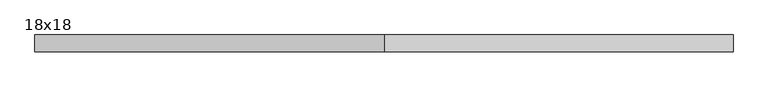
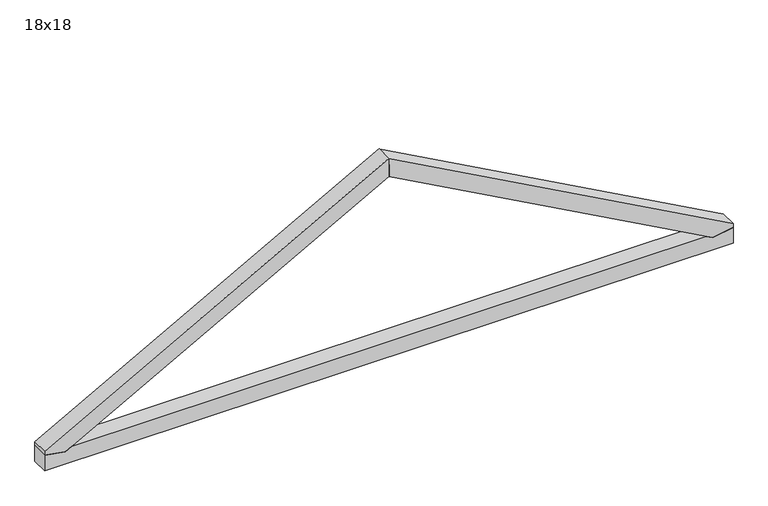
"""IFC4 building model written with IfcOpenShell, lengths in millimetres: beam geometry, 18x18."""

from ifc_helpers import new_model, si_unit, frame, origin, place, context, project, spatial, polyline, outline, extrude, source, transform, mapped, element, save


def beam_18x18_0c99cc2b(model_context):
    return source(origin(), model_context, "Body", "SweptSolid", [
        extrude(outline(polyline([(55.0, -3700.0), (-125.0, -3700.0), (-125.0, 3700.0), (55.0, 3700.0), (16.0534509, 3479.1231442), (55.0, 3408.3112367), (55.0, -3408.3112367), (16.0534509, -3479.1231442), (55.0, -3700.0)])), frame((0.0, -90.0, 0.0), z_axis=(0.0, 1.0, 0.0), x_axis=(0.0, 0.0, 1.0)), (0.0, 0.0, 1.0), 180.0),
        extrude(outline(polyline([(2132.213814, 5.0657927), (1928.1780872, 2.5328963), (16.0534509, 3479.1231442), (55.0, 3700.0), (100.0, 3700.0), (2132.213814, 5.0657927)])), frame((0.0, -90.0, 0.0), z_axis=(0.0, 1.0, 0.0), x_axis=(0.0, 0.0, 1.0)), (0.0, 0.0, 1.0), 180.0),
        extrude(outline(polyline([(1929.5711802, 0.0), (2135.0, 0.0), (100.0, -3700.0), (55.0, -3700.0), (16.0534509, -3479.1231442), (1929.5711802, 0.0)])), frame((0.0, -90.0, 0.0), z_axis=(0.0, 1.0, 0.0), x_axis=(0.0, 0.0, 1.0)), (0.0, 0.0, 1.0), 180.0),
    ])


if __name__ == "__main__":
    model = new_model("IFC4")
    model_context = context("Model", 3, world=origin())
    ifc_project = project(units=[si_unit("LENGTHUNIT", "METRE", prefix="MILLI")], contexts=[model_context])
    site = spatial("IfcSite", under=ifc_project)
    building = spatial("IfcBuilding", under=site)
    placement = place(None, origin())
    beam_18x18_shape = beam_18x18_0c99cc2b(model_context)
    element("IfcBeam", 1, ObjectType="18x18", at=placement, inside=building, context=model_context, shape_type="MappedRepresentation", body=[
        mapped(beam_18x18_shape, transform((0.0, 0.0, 0.0), x_axis=(1.0, 0.0, 0.0), y_axis=(0.0, 1.0, 0.0), z_axis=(0.0, 0.0, 1.0))),
    ])
    save(model, "model.ifc")
